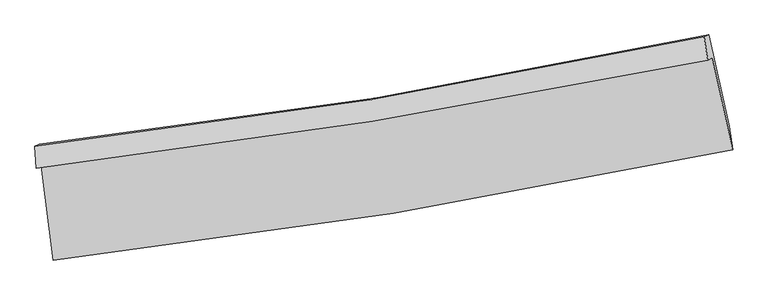
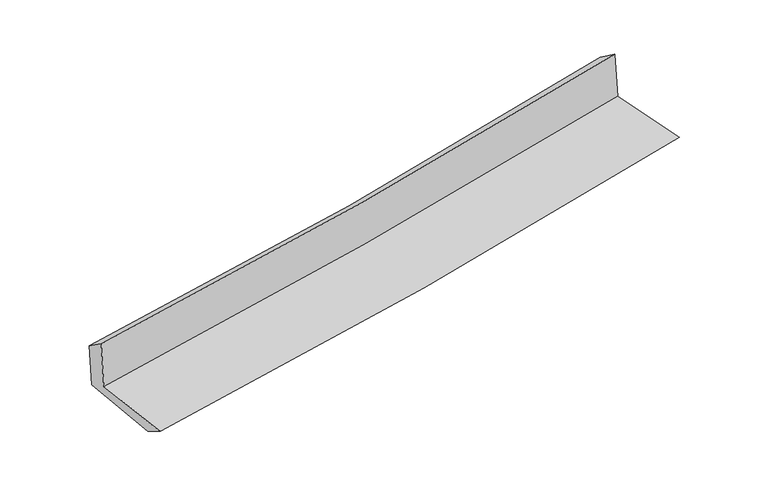
"""IFC4 building model written with IfcOpenShell, lengths in millimetres: proxy geometry."""

from ifc_helpers import new_model, si_unit, frame, origin, place, context, project, spatial, source, transform, mapped, element, save
from ifc_brep_helpers import plane_surface, spline_curve, spline_surface, advanced_brep


def generic_models_6c82f9bc(model_context):
    return source(origin(), model_context, "Body", "AdvancedBrep", [
        advanced_brep(
        [(-2396.1977219, -1868.5088636, 1667.6384396), (-2309.5798102, -2532.5924944, 1644.2889506), (2485.0264607, -1755.0955322, 2096.4028573), (2342.1036015, -1105.7676255, 2114.4333805), (-2429.1420087, -1886.8573933, 2067.2785715), (2309.5942178, -1123.8739331, 2508.7977954), (-2439.5656029, -1729.6031974, 1958.5425892), (2284.5701704, -958.4230005, 2390.1197067), (-2409.0232871, -1716.9382534, 1594.3082317), (2317.1248358, -945.0130852, 2006.319601), (-2321.305054, -2377.2859985, 1553.1065677), (2460.8635431, -1590.5566143, 1970.5541605)],
        [
            (0, 1),
            (1, 2, spline_curve(3, [(-2309.5798102, -2532.5924944, 1644.2889506), (-1506.012729532, -2441.058838256, 1721.912241178), (-705.426791331, -2330.65848657, 1798.331244899), (892.797880245, -2071.635740741, 1949.045002327), (1690.414032057, -1922.870438302, 2023.330634294), (2485.0264607, -1755.0955322, 2096.4028573)], [4, 2, 4], [0.0, 7.941916843665501, 15.9138554631375])),
            (2, 3),
            (3, 0, spline_curve(3, [(2342.1036015, -1105.7676255, 2114.4333805), (1555.813357802, -1265.756633848, 2042.404666986), (767.060247385, -1409.402043844, 1969.084726426), (-812.39204191, -1663.526257237, 1820.143372529), (-1603.07270606, -1774.127926493, 1744.53166603), (-2396.1977219, -1868.5088636, 1667.6384396)], [4, 2, 4], [0.0, 7.971938619471999, 15.9138554631375])),
            (4, 0),
            (3, 5),
            (5, 4, spline_curve(3, [(2309.5942178, -1123.8739331, 2508.7977954), (1523.660793321, -1283.664208725, 2432.440585273), (735.049377038, -1427.230701263, 2357.401782977), (-844.549497427, -1681.4365562, 2210.23861959), (-1635.516823169, -1792.197883675, 2138.104347463), (-2429.1420087, -1886.8573933, 2067.2785715)], [4, 2, 4], [0.0, 7.92374080300687, 15.817641339888807])),
            (6, 4),
            (5, 7),
            (7, 6, spline_curve(3, [(2284.5701704, -958.4230005, 2390.1197067), (1502.311834307, -1126.102228828, 2315.647712138), (716.755794943, -1274.291397363, 2242.381376868), (-857.980920682, -1531.204942992, 2098.531401509), (-1647.136805644, -1640.075840049, 2027.93869754), (-2439.5656029, -1729.6031974, 1958.5425892)], [4, 2, 4], [0.0, 7.91269998270878, 15.795601278267018])),
            (8, 6),
            (7, 9),
            (9, 8, spline_curve(3, [(2317.1248358, -945.0130852, 2006.319601), (1533.959006903, -1113.054980444, 1941.863682551), (747.781747991, -1261.487455452, 1875.232574551), (-827.623598546, -1518.648427728, 1737.879099262), (-1616.82904736, -1627.524341866, 1667.173084053), (-2409.0232871, -1716.9382534, 1594.3082317)], [4, 2, 4], [0.0, 7.902000785778456, 15.774243176850515])),
            (10, 8),
            (9, 11),
            (11, 10, spline_curve(3, [(2460.8635431, -1590.5566143, 1970.5541605), (1668.84660377, -1763.069716174, 1905.095787379), (873.56613534, -1914.971921218, 1837.509667939), (-720.514597841, -2177.060102893, 1698.344474712), (-1519.290328445, -2287.401026021, 1626.781396437), (-2321.305054, -2377.2859985, 1553.1065677)], [4, 2, 4], [0.0, 7.95010771548459, 15.870275868854538])),
            (1, 10),
            (11, 2),
        ],
        [
            spline_surface(3, 3, [[(-2396.1977219, -1868.5088636, 1667.6384396), (-1603.072706058, -1774.127926622, 1744.531665965), (-812.39204202, -1663.526257246, 1820.143372472), (767.060247496, -1409.402043834, 1969.084726483), (1555.813357923, -1265.756633852, 2042.404666916), (2342.1036015, -1105.7676255, 2114.4333805)], [(-2367.325084692, -2089.87007386, 1659.855276593), (-1570.719380559, -1996.438230528, 1736.991857698), (-776.736958428, -1885.90366703, 1812.872663234), (808.972791694, -1630.146609444, 1962.404818439), (1600.680249305, -1484.794568685, 2036.04665604), (2389.744554542, -1322.210261061, 2108.423206083)], [(-2338.452447408, -2311.23128414, 1652.072113607), (-1538.366054986, -2218.748534454, 1729.452049452), (-741.081874803, -2108.281076838, 1805.601954055), (850.885335926, -1850.89117508, 1955.724910453), (1645.547140763, -1703.832503535, 2029.688645214), (2437.385507658, -1538.652896639, 2102.413031717)], [(-2309.5798102, -2532.5924944, 1644.2889506), (-1506.012729488, -2441.05883836, 1721.912241185), (-705.426791211, -2330.658486621, 1798.331244818), (892.797880125, -2071.635740689, 1949.045002409), (1690.414032146, -1922.870438368, 2023.330634337), (2485.0264607, -1755.0955322, 2096.4028573)]], [4, 4], [4, 2, 4], [0.0, 2.2149308835418804], [0.0, 7.941916843665501, 15.9138554631375]),
            spline_surface(3, 3, [[(-2429.1420087, -1886.8573933, 2067.2785715), (-1635.516823298, -1792.197883711, 2138.104347393), (-844.549497424, -1681.436556145, 2210.238619654), (735.049377035, -1427.230701318, 2357.401782912), (1523.660793319, -1283.664208791, 2432.440585297), (2309.5942178, -1123.8739331, 2508.7977954)], [(-2418.160579757, -1880.741216746, 1934.065194207), (-1624.702117542, -1786.174564694, 2006.913453591), (-833.830345628, -1675.466456513, 2080.206870611), (745.719667184, -1421.287815491, 2227.96276412), (1534.37831486, -1277.69501714, 2302.42861253), (2320.43067904, -1117.838497229, 2377.34299046)], [(-2407.179150843, -1874.625040154, 1800.851816893), (-1613.887411814, -1780.151245638, 1875.722559767), (-823.111193816, -1669.496356878, 1950.175121515), (756.389957348, -1415.344929661, 2098.523745275), (1545.095836381, -1271.725825503, 2172.416639683), (2331.26714026, -1111.803061371, 2245.88818544)], [(-2396.1977219, -1868.5088636, 1667.6384396), (-1603.072706058, -1774.127926622, 1744.531665965), (-812.39204202, -1663.526257246, 1820.143372472), (767.060247496, -1409.402043834, 1969.084726483), (1555.813357923, -1265.756633852, 2042.404666916), (2342.1036015, -1105.7676255, 2114.4333805)]], [4, 4], [4, 2, 4], [0.0, 1.2825840388171814], [0.0, 7.893900536881937, 15.817641339888807]),
            spline_surface(3, 3, [[(-2439.5656029, -1729.6031974, 1958.5425892), (-1647.136805762, -1640.07584003, 2027.938697443), (-857.980920617, -1531.204942964, 2098.531401494), (716.755794878, -1274.291397391, 2242.381376884), (1502.311834203, -1126.102228807, 2315.647712024), (2284.5701704, -958.4230005, 2390.1197067)], [(-2436.091071512, -1782.021262692, 1994.787916621), (-1643.263478286, -1690.783187915, 2064.660580747), (-853.503779562, -1581.282147366, 2135.767140862), (722.853655587, -1325.271165375, 2280.721512208), (1509.42815392, -1178.622888799, 2354.578669775), (2292.911519544, -1013.573311363, 2429.679069593)], [(-2432.616540088, -1834.439328008, 2031.033244079), (-1639.390150775, -1741.490535825, 2101.382464089), (-849.026638479, -1631.359351743, 2173.002880285), (728.951516326, -1376.250933334, 2319.061647587), (1516.544473603, -1231.1435488, 2393.509627546), (2301.252868656, -1068.723622237, 2469.238432507)], [(-2429.1420087, -1886.8573933, 2067.2785715), (-1635.516823298, -1792.197883711, 2138.104347393), (-844.549497424, -1681.436556145, 2210.238619654), (735.049377035, -1427.230701318, 2357.401782912), (1523.660793319, -1283.664208791, 2432.440585297), (2309.5942178, -1123.8739331, 2508.7977954)]], [4, 4], [4, 2, 4], [0.0, 0.6232248097482606], [0.0, 7.882901295558238, 15.795601278267018]),
            spline_surface(3, 3, [[(-2409.0232871, -1716.9382534, 1594.3082317), (-1616.829047384, -1627.524341749, 1667.173084056), (-827.623598577, -1518.64842761, 1737.879099169), (747.781748022, -1261.48745557, 1875.232574643), (1533.959006855, -1113.054980316, 1941.863682646), (2317.1248358, -945.0130852, 2006.319601)], [(-2419.204059008, -1721.159901388, 1715.719684196), (-1626.931633485, -1631.708174497, 1787.428288514), (-837.742705918, -1522.833932713, 1858.096533288), (737.439763647, -1265.755436162, 1997.615508734), (1523.409949314, -1117.404063146, 2066.458359097), (2306.273280676, -949.483056966, 2134.252969558)], [(-2429.384830992, -1725.381549412, 1837.131136704), (-1637.034219661, -1635.892007281, 1907.683492985), (-847.861813276, -1527.019437861, 1978.313967375), (727.097779253, -1270.023416799, 2119.998442793), (1512.860891744, -1121.753145977, 2191.053035574), (2295.421725524, -953.953028734, 2262.186338142)], [(-2439.5656029, -1729.6031974, 1958.5425892), (-1647.136805762, -1640.07584003, 2027.938697443), (-857.980920617, -1531.204942964, 2098.531401494), (716.755794878, -1274.291397391, 2242.381376884), (1502.311834203, -1126.102228807, 2315.647712024), (2284.5701704, -958.4230005, 2390.1197067)]], [4, 4], [4, 2, 4], [0.0, 1.1989008366226612], [0.0, 7.872242391072059, 15.774243176850515]),
            spline_surface(3, 3, [[(-2321.305054, -2377.2859985, 1553.1065677), (-1519.290328422, -2287.401026145, 1626.781396383), (-720.514597848, -2177.060103021, 1698.344474672), (873.566135347, -1914.971921089, 1837.509667979), (1668.846603826, -1763.069716174, 1905.095787309), (2460.8635431, -1590.5566143, 1970.5541605)], [(-2350.544465056, -2157.170083467, 1566.840455712), (-1551.803234765, -2067.442131347, 1640.245292286), (-756.217598096, -1957.589544559, 1711.522682854), (831.638006233, -1697.143765924, 1850.083970217), (1623.884071487, -1546.398137566, 1917.351752435), (2412.950640651, -1375.375437944, 1982.475974013)], [(-2379.783876044, -1937.054168433, 1580.574343688), (-1584.316141041, -1847.483236547, 1653.709188154), (-791.920598328, -1738.118986073, 1724.700890987), (789.709877136, -1479.315610736, 1862.658272406), (1578.921539194, -1329.726558924, 1929.607717521), (2365.037738249, -1160.194261556, 1994.397787487)], [(-2409.0232871, -1716.9382534, 1594.3082317), (-1616.829047384, -1627.524341749, 1667.173084056), (-827.623598577, -1518.64842761, 1737.879099169), (747.781748022, -1261.48745557, 1875.232574643), (1533.959006855, -1113.054980316, 1941.863682646), (2317.1248358, -945.0130852, 2006.319601)]], [4, 4], [4, 2, 4], [0.0, 2.189369184424043], [0.0, 7.920168153369948, 15.870275868854538]),
            spline_surface(3, 3, [[(-2309.5798102, -2532.5924944, 1644.2889506), (-1506.012729488, -2441.05883836, 1721.912241185), (-705.426791211, -2330.658486621, 1798.331244818), (892.797880125, -2071.635740689, 1949.045002409), (1690.414032146, -1922.870438368, 2023.330634337), (2485.0264607, -1755.0955322, 2096.4028573)], [(-2313.488224776, -2480.823662447, 1613.894822972), (-1510.438595775, -2389.839567635, 1690.201959589), (-710.456060065, -2279.459025427, 1765.002321429), (886.387298558, -2019.414467496, 1911.866557592), (1683.224889386, -1869.603530973, 1983.919018654), (2476.972154846, -1700.249226236, 2054.453291693)], [(-2317.396639424, -2429.054830453, 1583.500695328), (-1514.864462135, -2338.62029687, 1658.491677979), (-715.485328994, -2228.259564215, 1731.67339806), (879.976716914, -1967.193194283, 1874.688112796), (1676.035746587, -1816.336623569, 1944.507402992), (2468.917848954, -1645.402920264, 2012.503726107)], [(-2321.305054, -2377.2859985, 1553.1065677), (-1519.290328422, -2287.401026145, 1626.781396383), (-720.514597848, -2177.060103021, 1698.344474672), (873.566135347, -1914.971921089, 1837.509667979), (1668.846603826, -1763.069716174, 1905.095787309), (2460.8635431, -1590.5566143, 1970.5541605)]], [4, 4], [4, 2, 4], [0.0, 0.6186118727817184], [0.0, 7.978751114129225, 15.987663243776423]),
            plane_surface(frame((2366.5471382, -1246.4549651, 2181.1045835), z_axis=(0.9731850931333915, 0.21170913458990168, 0.08994452086784988), x_axis=(-0.08446725448444713, -0.034793745081967385, 0.9958185970461844))),
            plane_surface(frame((-2384.1355808, -2018.6310334, 1747.527225), z_axis=(-0.9882088786212985, -0.12582689553476828, -0.0872399253445248), x_axis=(-0.1292581614483457, 0.990998600083362, 0.03484397124051909))),
        ],
        [
            (0, [[1, 2, 3, 4]]),
            (1, [[5, -4, 6, 7]]),
            (2, [[8, -7, 9, 10]]),
            (3, [[11, -10, 12, 13]]),
            (4, [[14, -13, 15, 16]]),
            (5, [[17, -16, 18, -2]]),
            (6, [[-12, -9, -6, -3, -18, -15]]),
            (7, [[-1, -5, -8, -11, -14, -17]]),
        ],
    ),
    ])


if __name__ == "__main__":
    model = new_model("IFC4")
    model_context = context("Model", 3, world=origin())
    ifc_project = project(units=[si_unit("LENGTHUNIT", "METRE", prefix="MILLI")], contexts=[model_context])
    site = spatial("IfcSite", under=ifc_project)
    building = spatial("IfcBuilding", under=site)
    placement = place(None, origin())
    generic_models_shape = generic_models_6c82f9bc(model_context)
    element("IfcBuildingElementProxy", 1, Name="Generic Models", at=placement, inside=building, context=model_context, shape_type="MappedRepresentation", body=[
        mapped(generic_models_shape, transform((0.0, 0.0, 0.0), x_axis=(1.0, 0.0, 0.0), y_axis=(0.0, 1.0, 0.0), z_axis=(0.0, 0.0, 1.0))),
    ])
    save(model, "model.ifc")
